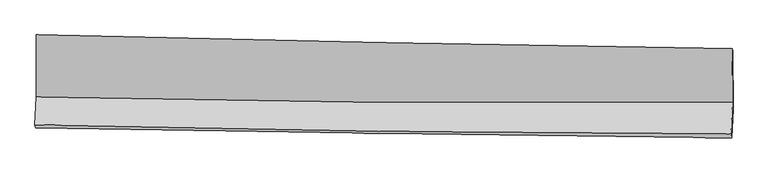
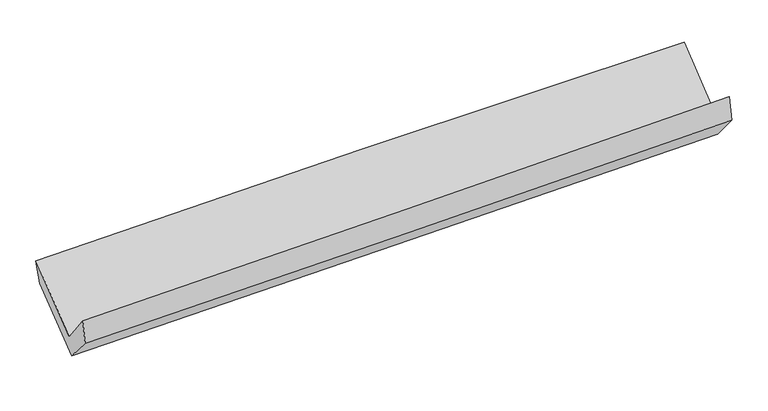
"""IFC4 building model written with IfcOpenShell, lengths in millimetres: proxy geometry."""

from ifc_helpers import new_model, si_unit, frame, origin, place, context, project, spatial, source, transform, mapped, element, save
from ifc_brep_helpers import plane_surface, spline_curve, spline_surface, advanced_brep


def generic_models_9cbccaef(model_context):
    return source(origin(), model_context, "Body", "AdvancedBrep", [
        advanced_brep(
        [(-3025.7137498, -1146.0887223, 2167.3568829), (-3022.8680085, -1684.9988212, 1733.2472667), (3014.3501614, -1733.1230096, 1903.5229029), (3010.7171134, -1264.0278166, 2301.9856654), (-3035.3380969, -1927.8175035, 2044.9369593), (3001.4321991, -2007.659173, 2213.0633298), (-3030.1981818, -1955.2610024, 1838.5773569), (3006.7081756, -2044.0074156, 2002.0060471), (-3018.9667523, -1720.2301258, 1567.8223135), (3018.8647877, -1793.303812, 1706.347207), (-3021.4245202, -1203.0032709, 1974.3776043), (3016.0595208, -1286.3076357, 2096.5511431)],
        [
            (0, 1),
            (1, 2, spline_curve(3, [(-3022.8680085, -1684.9988212, 1733.2472667), (-2016.87658864, -1709.244339742, 1760.499724486), (-1010.800956937, -1725.377623756, 1788.314956927), (1001.605085224, -1741.420412457, 1845.073405638), (2007.935510113, -1741.328524273, 1874.01671894), (3014.3501614, -1733.1230096, 1903.5229029)], [4, 2, 4], [0.0, 9.906787698898208, 19.814425655913])),
            (2, 3),
            (3, 0, spline_curve(3, [(3010.7171134, -1264.0278166, 2301.9856654), (2004.161809321, -1249.171165529, 2294.385907345), (997.826676003, -1231.914057342, 2279.366163148), (-1014.316907578, -1192.600614039, 2234.488628995), (-2020.125394863, -1170.544690733, 2204.632112101), (-3025.7137498, -1146.0887223, 2167.3568829)], [4, 2, 4], [0.0, 9.90763795701479, 19.814425655913])),
            (1, 4),
            (4, 5, spline_curve(3, [(-3035.3380969, -1927.8175035, 2044.9369593), (-2029.615405997, -1953.574291721, 2080.982566102), (-1023.711463989, -1973.106140047, 2113.015471009), (988.54527027, -1999.721098629, 2169.058283648), (1994.898093586, -2006.803140271, 2193.06750171), (3001.4321991, -2007.659173, 2213.0633298)], [4, 2, 4], [0.0, 9.907490181666175, 19.81583068174009])),
            (5, 2),
            (4, 6),
            (6, 7, spline_curve(3, [(-3030.1981818, -1955.2610024, 1838.5773569), (-2024.018583694, -1973.462250123, 1863.331937153), (-1017.874840783, -1989.958164154, 1889.327647321), (994.427284611, -2019.54059486, 1943.803664303), (2000.585660742, -2032.626818292, 1972.284184304), (3006.7081756, -2044.0074156, 2002.0060471)], [4, 2, 4], [0.0, 9.907308993614716, 19.81546829008656])),
            (7, 5),
            (6, 8),
            (8, 9, spline_curve(3, [(-3018.9667523, -1720.2301258, 1567.8223135), (-2012.840610266, -1738.842485853, 1594.191785051), (-1006.646504335, -1754.238016514, 1618.919837176), (1005.963997196, -1778.596464333, 1665.095083653), (2012.380404977, -1787.558828959, 1686.541995881), (3018.8647877, -1793.303812, 1706.347207)], [4, 2, 4], [0.0, 9.907415674804396, 19.81568166162192])),
            (9, 7),
            (8, 10),
            (10, 11, spline_curve(3, [(-3021.4245202, -1203.0032709, 1974.3776043), (-2015.443492076, -1222.908672102, 2001.10676849), (-1009.350902468, -1239.803234415, 2024.652178261), (1003.143758758, -1267.571872767, 2065.377237895), (2009.545849394, -1278.44543223, 2082.556340742), (3016.0595208, -1286.3076357, 2096.5511431)], [4, 2, 4], [0.0, 9.907096913169022, 19.815044110993195])),
            (11, 9),
            (10, 0),
            (3, 11),
        ],
        [
            spline_surface(3, 3, [[(-3025.7137498, -1146.0887223, 2167.3568829), (-2020.125394931, -1170.544690681, 2204.632112153), (-1014.316907417, -1192.600613969, 2234.488628915), (997.826675842, -1231.914057413, 2279.366163227), (2004.161809434, -1249.171165515, 2294.385907319), (3010.7171134, -1264.0278166, 2301.9856654)], [(-3024.765169376, -1325.725421928, 2022.653677481), (-2019.042459539, -1350.111240311, 2056.587982958), (-1013.144923903, -1370.192950583, 2085.764071556), (999.086145663, -1401.749509106, 2134.601910705), (2005.419709663, -1413.223618452, 2154.262844496), (3011.928129413, -1420.392880914, 2169.164744588)], [(-3023.816588924, -1505.362121572, 1877.950472119), (-2017.95952412, -1529.677789957, 1908.543853818), (-1011.97294046, -1547.785287152, 1937.03951423), (1000.345615413, -1571.584960753, 1989.837658217), (2006.677609852, -1577.276071446, 2014.13978161), (3013.139145387, -1576.757945286, 2036.343823712)], [(-3022.8680085, -1684.9988212, 1733.2472667), (-2016.876588728, -1709.244339587, 1760.499724622), (-1010.800956946, -1725.377623767, 1788.314956871), (1001.605085234, -1741.420412446, 1845.073405695), (2007.935510081, -1741.328524384, 1874.016718787), (3014.3501614, -1733.1230096, 1903.5229029)]], [4, 4], [4, 2, 4], [0.0, 2.238210398624385], [0.0, 9.906787698898208, 19.814425655913]),
            spline_surface(3, 3, [[(-3022.8680085, -1684.9988212, 1733.2472667), (-2016.876588728, -1709.244339587, 1760.499724622), (-1010.800956946, -1725.377623767, 1788.314956871), (1001.605085234, -1741.420412446, 1845.073405695), (2007.935510081, -1741.328524384, 1874.016718787), (3014.3501614, -1733.1230096, 1903.5229029)], [(-3027.024704634, -1765.938381981, 1837.143830904), (-2021.122861145, -1790.687657032, 1867.327338422), (-1015.104459301, -1807.953795882, 1896.548461653), (997.251813558, -1827.520641136, 1953.068364979), (2003.589704575, -1829.820062969, 1980.366979784), (3010.044173961, -1824.635064077, 2006.703045188)], [(-3031.181400766, -1846.877942719, 1941.040395096), (-2025.369133559, -1872.130974433, 1974.15495221), (-1019.407961614, -1890.529968021, 2004.781966381), (992.898541924, -1913.620869851, 2061.06332421), (1999.243899086, -1918.311601522, 2086.717240815), (3005.738186539, -1916.147118523, 2109.883187512)], [(-3035.3380969, -1927.8175035, 2044.9369593), (-2029.615405976, -1953.574291878, 2080.98256601), (-1023.711463969, -1973.106140136, 2113.015471163), (988.545270249, -1999.721098541, 2169.058283494), (1994.89809358, -2006.803140107, 2193.067501812), (3001.4321991, -2007.659173, 2213.0633298)]], [4, 4], [4, 2, 4], [0.0, 1.3502694964187116], [0.0, 9.907490181666175, 19.81583068174009]),
            spline_surface(3, 3, [[(-3035.3380969, -1927.8175035, 2044.9369593), (-2029.615405976, -1953.574291878, 2080.98256601), (-1023.711463969, -1973.106140136, 2113.015471163), (988.545270249, -1999.721098541, 2169.058283494), (1994.89809358, -2006.803140107, 2193.067501812), (3001.4321991, -2007.659173, 2213.0633298)], [(-3033.624791855, -1936.96533647, 1976.150425168), (-2027.749798526, -1960.203611289, 2008.432356434), (-1021.76592289, -1978.723481496, 2038.452863193), (990.505941684, -2006.327597257, 2093.97341042), (1996.79394932, -2015.411032842, 2119.473062652), (3003.190857946, -2019.775253872, 2142.710902226)], [(-3031.911486845, -1946.11316943, 1907.363891032), (-2025.884191112, -1966.83293069, 1935.882146855), (-1019.820381808, -1984.340822909, 1963.890255272), (992.466613122, -2012.934096028, 2018.888537396), (1998.68980502, -2024.018925562, 2045.878623516), (3004.949516754, -2031.891334728, 2072.358474674)], [(-3030.1981818, -1955.2610024, 1838.5773569), (-2024.018583662, -1973.462250101, 1863.331937279), (-1017.874840729, -1989.958164269, 1889.327647302), (994.427284558, -2019.540594744, 1943.803664322), (2000.58566076, -2032.626818298, 1972.284184357), (3006.7081756, -2044.0074156, 2002.0060471)]], [4, 4], [4, 2, 4], [0.0, 0.7391572527596688], [0.0, 9.907308993614716, 19.81546829008656]),
            spline_surface(3, 3, [[(-3030.1981818, -1955.2610024, 1838.5773569), (-2024.018583662, -1973.462250101, 1863.331937279), (-1017.874840729, -1989.958164269, 1889.327647302), (994.427284558, -2019.540594744, 1943.803664322), (2000.58566076, -2032.626818298, 1972.284184357), (3006.7081756, -2044.0074156, 2002.0060471)], [(-3026.454371971, -1876.917376878, 1748.325675771), (-2020.29259248, -1895.255662054, 1773.618553259), (-1014.132061943, -1911.384781733, 1799.191710624), (998.272855467, -1939.225884579, 1850.900804067), (2004.517242128, -1950.937488505, 1877.036788242), (3010.760379617, -1960.439547728, 1903.453100421)], [(-3022.710562129, -1798.573751322, 1658.073994629), (-2016.566601285, -1817.049073974, 1683.905169225), (-1010.389283183, -1832.811399166, 1709.055773949), (1002.118426348, -1858.911174382, 1757.997943813), (2008.448823544, -1869.248158727, 1781.789392063), (3014.812583683, -1876.871679872, 1804.900153679)], [(-3018.9667523, -1720.2301258, 1567.8223135), (-2012.840610102, -1738.842485927, 1594.191785205), (-1006.646504396, -1754.23801663, 1618.919837272), (1005.963997257, -1778.596464217, 1665.095083558), (2012.380404911, -1787.558828935, 1686.541995948), (3018.8647877, -1793.303812, 1706.347207)]], [4, 4], [4, 2, 4], [0.0, 1.1934064736930634], [0.0, 9.907415674804396, 19.81568166162192]),
            spline_surface(3, 3, [[(-3018.9667523, -1720.2301258, 1567.8223135), (-2012.840610102, -1738.842485927, 1594.191785205), (-1006.646504396, -1754.23801663, 1618.919837272), (1005.963997257, -1778.596464217, 1665.095083558), (2012.380404911, -1787.558828935, 1686.541995948), (3018.8647877, -1793.303812, 1706.347207)], [(-3019.786008276, -1547.821174152, 1703.340743762), (-2013.708237467, -1566.864547955, 1729.830112922), (-1007.547970413, -1582.759755871, 1754.163950969), (1005.023917754, -1608.25493374, 1798.522468314), (2011.435553068, -1617.854363311, 1818.546777531), (3017.92969875, -1624.305086554, 1836.415185684)], [(-3020.605264224, -1375.412222548, 1838.859174038), (-2014.575864805, -1394.886610027, 1865.468440652), (-1008.449436435, -1411.281495135, 1889.408064648), (1004.083838246, -1437.913403283, 1931.949853053), (2010.490701176, -1448.149897725, 1950.551559162), (3016.99460975, -1455.306361146, 1966.483164416)], [(-3021.4245202, -1203.0032709, 1974.3776043), (-2015.44349217, -1222.908672055, 2001.106768368), (-1009.350902452, -1239.803234376, 2024.652178346), (1003.143758743, -1267.571872806, 2065.37723781), (2009.545849333, -1278.445432101, 2082.556340745), (3016.0595208, -1286.3076357, 2096.5511431)]], [4, 4], [4, 2, 4], [0.0, 2.139635563666575], [0.0, 9.907096913169022, 19.815044110993195]),
            spline_surface(3, 3, [[(-3021.4245202, -1203.0032709, 1974.3776043), (-2015.44349217, -1222.908672055, 2001.106768368), (-1009.350902452, -1239.803234376, 2024.652178346), (1003.143758743, -1267.571872806, 2065.37723781), (2009.545849333, -1278.445432101, 2082.556340745), (3016.0595208, -1286.3076357, 2096.5511431)], [(-3022.854263388, -1184.031754691, 2038.704030513), (-2017.004126412, -1205.454011588, 2068.948549643), (-1011.00623746, -1224.069027581, 2094.597661874), (1001.371397756, -1255.685934349, 2136.70687962), (2007.751169347, -1268.687343259, 2153.166196263), (3014.278718313, -1278.881029354, 2165.029317193)], [(-3024.284006612, -1165.060238509, 2103.030456687), (-2018.564760689, -1187.999351148, 2136.790330878), (-1012.661572409, -1208.334820764, 2164.543145388), (999.599036829, -1243.79999587, 2208.036521417), (2005.956489421, -1258.929254356, 2223.776051801), (3012.497915887, -1271.454422946, 2233.507491307)], [(-3025.7137498, -1146.0887223, 2167.3568829), (-2020.125394931, -1170.544690681, 2204.632112153), (-1014.316907417, -1192.600613969, 2234.488628915), (997.826675842, -1231.914057413, 2279.366163227), (2004.161809434, -1249.171165515, 2294.385907319), (3010.7171134, -1264.0278166, 2301.9856654)]], [4, 4], [4, 2, 4], [0.0, 0.7086152439412139], [0.0, 9.906507812680674, 19.81386585945647]),
            plane_surface(frame((3011.3553263, -1688.0714771, 2037.2460492), z_axis=(0.999491388744272, -0.01579247096767246, 0.027704903659491856), x_axis=(-0.00438477068899073, 0.7924600730692271, 0.609908031081015))),
            plane_surface(frame((-3025.7515516, -1606.233241, 1887.7197306), z_axis=(-0.9994958529574313, 0.01654865490053526, -0.027095791958901133), x_axis=(0.021313704261998124, -0.28281532600436277, -0.958937546135137))),
        ],
        [
            (0, [[1, 2, 3, 4]]),
            (1, [[5, 6, 7, -2]]),
            (2, [[8, 9, 10, -6]]),
            (3, [[11, 12, 13, -9]]),
            (4, [[14, 15, 16, -12]]),
            (5, [[17, -4, 18, -15]]),
            (6, [[-16, -18, -3, -7, -10, -13]]),
            (7, [[-17, -14, -11, -8, -5, -1]]),
        ],
    ),
    ])


if __name__ == "__main__":
    model = new_model("IFC4")
    model_context = context("Model", 3, world=origin())
    ifc_project = project(units=[si_unit("LENGTHUNIT", "METRE", prefix="MILLI")], contexts=[model_context])
    site = spatial("IfcSite", under=ifc_project)
    building = spatial("IfcBuilding", under=site)
    placement = place(None, origin())
    generic_models_shape = generic_models_9cbccaef(model_context)
    element("IfcBuildingElementProxy", 1, Name="Generic Models", at=placement, inside=building, context=model_context, shape_type="MappedRepresentation", body=[
        mapped(generic_models_shape, transform((0.0, 0.0, 0.0), x_axis=(1.0, 0.0, 0.0), y_axis=(0.0, 1.0, 0.0), z_axis=(0.0, 0.0, 1.0))),
    ])
    save(model, "model.ifc")
